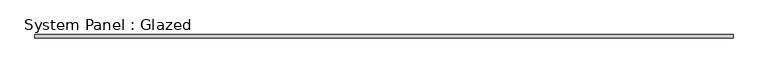
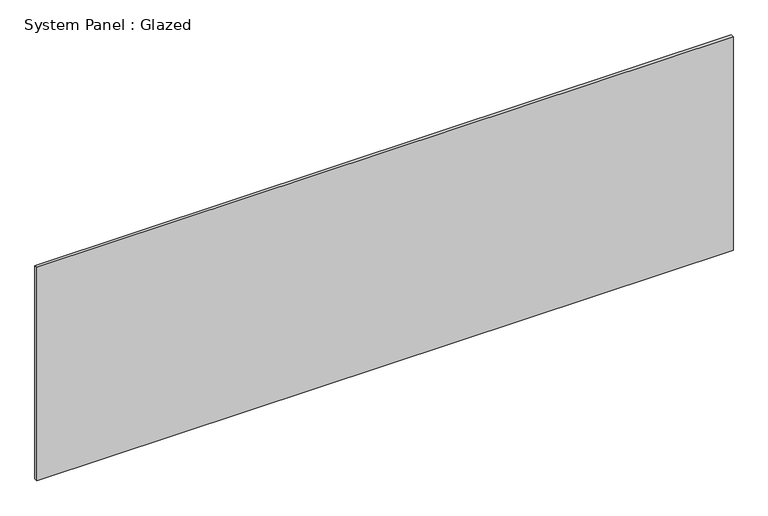
"""IFC4 building model written with IfcOpenShell, lengths in millimetres: plate geometry, System Panel : Glazed."""

from ifc_helpers import new_model, si_unit, origin, origin_with_axes, place, context, project, spatial, polyline, outline, extrude, source, transform, mapped, element, save


def system_panel_glazed_7befdc67(model_context):
    return source(origin(), model_context, "Body", "SweptSolid", [
        extrude(outline(polyline([(2745.0000002, 24.5), (-2745.0000002, 24.5), (-2745.0000002, 49.5), (2745.0000002, 49.5), (2745.0000002, 24.5)])), origin_with_axes(), (0.0, 0.0, 1.0), 1777.7777778),
    ])


if __name__ == "__main__":
    model = new_model("IFC4")
    model_context = context("Model", 3, world=origin())
    ifc_project = project(units=[si_unit("LENGTHUNIT", "METRE", prefix="MILLI")], contexts=[model_context])
    site = spatial("IfcSite", under=ifc_project)
    building = spatial("IfcBuilding", under=site)
    placement = place(None, origin())
    system_panel_glazed_shape = system_panel_glazed_7befdc67(model_context)
    element("IfcPlate", 1, ObjectType="System Panel : Glazed", at=placement, inside=building, context=model_context, shape_type="MappedRepresentation", body=[
        mapped(system_panel_glazed_shape, transform((0.0, 0.0, 0.0), x_axis=(1.0, 0.0, 0.0), y_axis=(0.0, 1.0, 0.0), z_axis=(0.0, 0.0, 1.0))),
    ])
    save(model, "model.ifc")
